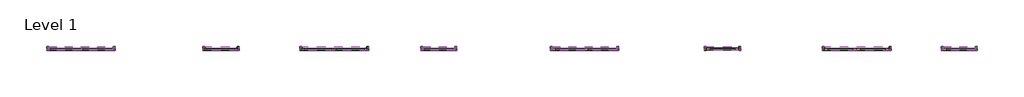
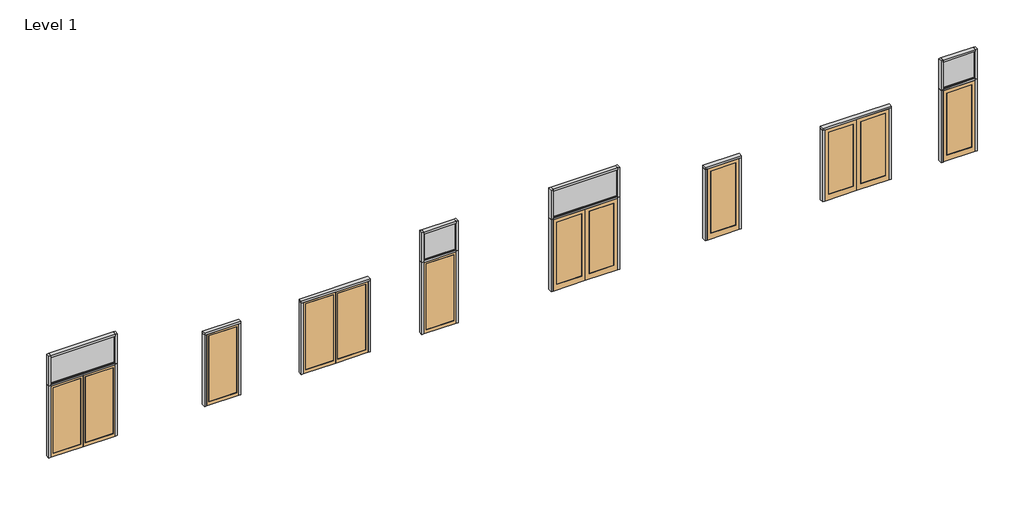
# One storey: 36 members, 20 doors, 4 plates.
"""IFC4 building model written with IfcOpenShell, lengths in millimetres."""

import ifcopenshell
import ifcopenshell.guid

model = None  # the IFC model being written
_history = None  # IfcOwnerHistory: only IFC2X3 demands one
_inside = {}  # id of a spatial element -> (the spatial element, [elements in it])
_under = {}  # id of a project, library or spatial element -> (it, [spatial elements below it])
_declared = {}  # id of a project -> (the project, [libraries it declares])
_typed = {}  # id of a type object -> (the type object, [elements of that type])
_made_of = {}  # id of a material, layer set ... -> (it, [elements and type objects made of it])


def new_model(schema):
    """Start an empty IFC model of exactly this schema.

    Asked for "IFC4X3", IfcOpenShell would pick the latest addendum, in which some entities
    have other attributes; the version numbers below select the first issue.
    IFC2X3 requires an IfcOwnerHistory on every rooted entity: one is made here for all.
    """
    global model, _history
    if schema == "IFC4X3":
        model = ifcopenshell.file(schema_version=(4, 3, 0, 0))
    else:
        model = ifcopenshell.file(schema=schema)
    _inside.clear()
    _under.clear()
    _declared.clear()
    _typed.clear()
    _made_of.clear()
    _history = None
    if model.schema == "IFC2X3":
        org = make("IfcOrganization", Name="unknown")
        user = make(
            "IfcPersonAndOrganization",
            ThePerson=make("IfcPerson", FamilyName="unknown"),
            TheOrganization=org,
        )
        app = make(
            "IfcApplication",
            ApplicationDeveloper=org,
            Version="unknown",
            ApplicationFullName="unknown",
            ApplicationIdentifier="unknown",
        )
        _history = make(
            "IfcOwnerHistory",
            OwningUser=user,
            OwningApplication=app,
            ChangeAction="ADDED",
            CreationDate=0,
        )
    return model


def make(cls, **values):
    """One entity of the class cls with the attributes given. An attribute that is None is left unset."""
    return model.create_entity(
        cls, **{name: value for name, value in values.items() if value is not None}
    )


def rooted(cls, **values):
    """An entity with a GlobalId (a new one), such as an element, a storey or a relation."""
    return make(cls, GlobalId=ifcopenshell.guid.new(), OwnerHistory=_history, **values)


def si_unit(unit_type, name, prefix=None):
    """IfcSIUnit, for example si_unit("LENGTHUNIT", "METRE", prefix="MILLI")."""
    return make("IfcSIUnit", UnitType=unit_type, Prefix=prefix, Name=name)


def assignment(units):
    """IfcUnitAssignment: the units of a project."""
    return None if units is None else make("IfcUnitAssignment", Units=units)


def point(xyz):
    """IfcCartesianPoint."""
    return None if xyz is None else make("IfcCartesianPoint", Coordinates=xyz)


def direction(xyz):
    """IfcDirection."""
    return None if xyz is None else make("IfcDirection", DirectionRatios=xyz)


def frame(location, z_axis=None, x_axis=None):
    """IfcAxis2Placement3D, a coordinate frame: its origin and axes. An axis left out is left unset."""
    return make(
        "IfcAxis2Placement3D",
        Location=point(location),
        Axis=direction(z_axis),
        RefDirection=direction(x_axis),
    )


def origin():
    """The frame at (0, 0, 0) with its axes left unset."""
    return frame((0.0, 0.0, 0.0))


def origin_with_axes():
    """The frame at (0, 0, 0) with the z axis (0, 0, 1) and the x axis (1, 0, 0) written out."""
    return frame((0.0, 0.0, 0.0), z_axis=(0.0, 0.0, 1.0), x_axis=(1.0, 0.0, 0.0))


def place(relative_to, where):
    """IfcLocalPlacement: puts the frame where relative to a parent placement (None: the world)."""
    return make(
        "IfcLocalPlacement", PlacementRelTo=relative_to, RelativePlacement=where
    )


def context(
    kind, dimensions, precision=None, world=None, true_north=None, identifier=None
):
    """IfcGeometricRepresentationContext, for example the 3D "Model" context."""
    return make(
        "IfcGeometricRepresentationContext",
        ContextIdentifier=identifier,
        ContextType=kind,
        CoordinateSpaceDimension=dimensions,
        Precision=precision,
        WorldCoordinateSystem=world,
        TrueNorth=true_north,
    )


def project(units=None, contexts=None):
    """IfcProject with its units and contexts."""
    return rooted(
        "IfcProject",
        Name="project",
        RepresentationContexts=contexts,
        UnitsInContext=assignment(units),
    )


def spatial(cls, under=None, at=None, **own):
    """A site, building, storey or space (cls), placed at a placement, below another one or the project."""
    s = rooted(cls, ObjectPlacement=at, **own)
    if under is not None:
        _under.setdefault(under.id(), (under, []))[1].append(s)
    return s


def polyline(points):
    """IfcPolyline through the points."""
    return make("IfcPolyline", Points=[point(p) for p in points])


def outline(outer, holes=None, kind="AREA"):
    """IfcArbitraryClosedProfileDef: a profile drawn as a closed curve; with holes, ...WithVoids."""
    if holes is None:
        return make("IfcArbitraryClosedProfileDef", ProfileType=kind, OuterCurve=outer)
    return make(
        "IfcArbitraryProfileDefWithVoids",
        ProfileType=kind,
        OuterCurve=outer,
        InnerCurves=holes,
    )


def extrude(swept, where, along, depth):
    """IfcExtrudedAreaSolid: the profile swept, set in the frame where, extruded along a direction by depth."""
    return make(
        "IfcExtrudedAreaSolid",
        SweptArea=swept,
        Position=where,
        ExtrudedDirection=direction(along),
        Depth=depth,
    )


def shape(context_of_items, identifier, shape_type, items):
    """IfcShapeRepresentation: the items that make up one representation, for example the "Body"."""
    return make(
        "IfcShapeRepresentation",
        ContextOfItems=context_of_items,
        RepresentationIdentifier=identifier,
        RepresentationType=shape_type,
        Items=items,
    )


def source(mapping_origin, context_of_items, identifier, shape_type, items):
    """IfcRepresentationMap: a shape defined once, which mapped items show again and again."""
    return make(
        "IfcRepresentationMap",
        MappingOrigin=mapping_origin,
        MappedRepresentation=shape(context_of_items, identifier, shape_type, items),
    )


def transform(
    local_origin,
    x_axis=None,
    y_axis=None,
    z_axis=None,
    scale=None,
    scale2=None,
    scale3=None,
    uniform=True,
):
    """IfcCartesianTransformationOperator3D, or its non-uniform kind. x_axis, y_axis, z_axis: its Axis1, 2, 3."""
    if uniform:
        return make(
            "IfcCartesianTransformationOperator3D",
            Axis1=direction(x_axis),
            Axis2=direction(y_axis),
            LocalOrigin=point(local_origin),
            Scale=scale,
            Axis3=direction(z_axis),
        )
    return make(
        "IfcCartesianTransformationOperator3DnonUniform",
        Axis1=direction(x_axis),
        Axis2=direction(y_axis),
        LocalOrigin=point(local_origin),
        Scale=scale,
        Axis3=direction(z_axis),
        Scale2=scale2,
        Scale3=scale3,
    )


def mapped(mapping_source, mapping_target):
    """IfcMappedItem: shows the shape of a source again, moved by a transform."""
    return make(
        "IfcMappedItem", MappingSource=mapping_source, MappingTarget=mapping_target
    )


def made_of(thing, what):
    """Note that an element or type object is made of a material, layer set ...; save() writes the relation."""
    if what is not None:
        _made_of.setdefault(what.id(), (what, []))[1].append(thing)
    return thing


def element(
    cls,
    number,
    at=None,
    inside=None,
    cuts=None,
    type_object=None,
    material=None,
    context=None,
    identifier="Body",
    shape_type=None,
    held_by="IfcProductDefinitionShape",
    body=None,
    shapes=None,
    **own,
):
    """One element of the class cls, such as IfcWall. Its Tag is "e" and its number.

    at: its placement. inside: the storey or other place that contains it. cuts: it is an
    opening in that element (IfcRelVoidsElement). A single representation is given by context,
    identifier, shape_type and body (its items); several are given by shapes. held_by: the class
    of the entity that holds the representations. save() writes the other relations.
    """
    e = rooted(cls, Tag="e%d" % number, ObjectPlacement=at, **own)
    if body is not None:
        shapes = [shape(context, identifier, shape_type, body)]
    if shapes is not None:
        e.Representation = make(held_by, Representations=shapes)
    if inside is not None:
        _inside.setdefault(inside.id(), (inside, []))[1].append(e)
    if cuts is not None:
        rooted(
            "IfcRelVoidsElement", RelatingBuildingElement=cuts, RelatedOpeningElement=e
        )
    if type_object is not None:
        _typed.setdefault(type_object.id(), (type_object, []))[1].append(e)
    return made_of(e, material)


def aggregate(whole, parts):
    """IfcRelAggregates: a whole, such as a stair, and the parts it consists of."""
    return rooted("IfcRelAggregates", RelatingObject=whole, RelatedObjects=parts)


def save(model, path):
    """Write the relations noted so far, then the file.

    IfcRelAggregates (storeys below a building ...), IfcRelContainedInSpatialStructure (elements
    in a storey), IfcRelDefinesByType, IfcRelAssociatesMaterial and IfcRelDeclares: one each for
    every whole, place, type object, material and project.
    """
    for whole, parts in _under.values():
        aggregate(whole, parts)
    for where, things in _inside.values():
        rooted(
            "IfcRelContainedInSpatialStructure",
            RelatedElements=things,
            RelatingStructure=where,
        )
    for kind, things in _typed.values():
        rooted("IfcRelDefinesByType", RelatedObjects=things, RelatingType=kind)
    for what, things in _made_of.values():
        rooted("IfcRelAssociatesMaterial", RelatedObjects=things, RelatingMaterial=what)
    for by, libraries in _declared.values():
        rooted("IfcRelDeclares", RelatingContext=by, RelatedDefinitions=libraries)
    model.write(path)


def aa250_double_door_14cf2654(model_context):
    return source(origin(), model_context, "Body", "SweptSolid", [
        extrude(outline(polyline([(0.0, 914.4), (2133.59492, 914.4), (2133.59492, -914.4), (0.0, -914.4), (0.0, -904.88008), (2124.075, -904.88008), (2124.075, 904.88008), (0.0, 904.88008), (0.0, 914.4)])), frame((0.0, 3.175, 0.0), z_axis=(0.0, 1.0, 0.0), x_axis=(0.0, 0.0, 1.0)), (0.0, 0.0, 1.0), 24.9047),
    ])


def aa250_single_door_4fcfadb9(model_context):
    return source(origin(), model_context, "Body", "SweptSolid", [
        extrude(outline(polyline([(0.0, 457.2), (2133.59492, 457.2), (2133.59492, -457.2), (0.0, -457.2), (0.0, -447.68008), (2124.075, -447.68008), (2124.075, 447.68008), (0.0, 447.68008), (0.0, 457.2)])), frame((0.0, 3.175, 0.0), z_axis=(0.0, 1.0, 0.0), x_axis=(0.0, 0.0, 1.0)), (0.0, 0.0, 1.0), 24.9047),
    ])


def door_panel_kawneer_glass_aa250_712486c2(model_context):
    return source(origin(), model_context, "Body", "SweptSolid", [
        extrude(outline(polyline([(850.9, -34.925), (63.5, -34.925), (63.5, -9.525), (850.9, -9.525), (850.9, -34.925)])), frame((0.0, 0.0, 98.425), z_axis=(0.0, 0.0, 1.0), x_axis=(1.0, 0.0, 0.0)), (0.0, 0.0, 1.0), 1971.675),
        extrude(outline(polyline([(2133.6, 914.4), (2133.6, 0.0), (0.0, 0.0), (0.0, 914.4), (2133.6, 914.4)]), holes=[polyline([(2070.1, 850.9), (98.425, 850.9), (98.425, 63.5), (2070.1, 63.5), (2070.1, 850.9)])]), frame((0.0, -57.15, 0.0), z_axis=(0.0, 1.0, 0.0), x_axis=(0.0, 0.0, 1.0)), (0.0, 0.0, 1.0), 57.15),
    ])


def door_panel_kawneer_glass_aa250_7d1de5a6(model_context):
    return source(origin(), model_context, "Body", "SweptSolid", [
        extrude(outline(polyline([(850.9, 34.925), (850.9, 9.525), (63.5, 9.525), (63.5, 34.925), (850.9, 34.925)])), frame((0.0, 0.0, 98.425), z_axis=(0.0, 0.0, 1.0), x_axis=(1.0, 0.0, 0.0)), (0.0, 0.0, 1.0), 1971.675),
        extrude(outline(polyline([(2133.6, 914.4), (2133.6, 0.0), (0.0, 0.0), (0.0, 914.4), (2133.6, 914.4)]), holes=[polyline([(2070.1, 850.9), (98.425, 850.9), (98.425, 63.5), (2070.1, 63.5), (2070.1, 850.9)])]), frame((0.0, 0.0, 0.0), z_axis=(0.0, 1.0, 0.0), x_axis=(0.0, 0.0, 1.0)), (0.0, 0.0, 1.0), 57.15),
    ])


def door_panel_kawneer_glass_aa425_f4abb921(model_context):
    return source(origin(), model_context, "Body", "SweptSolid", [
        extrude(outline(polyline([(806.45, 34.925), (806.45, 9.525), (107.95, 9.525), (107.95, 34.925), (806.45, 34.925)])), frame((0.0, 0.0, 165.1), z_axis=(0.0, 0.0, 1.0), x_axis=(1.0, 0.0, 0.0)), (0.0, 0.0, 1.0), 1860.55),
        extrude(outline(polyline([(2133.6, 914.4), (2133.6, 0.0), (0.0, 0.0), (0.0, 914.4), (2133.6, 914.4)]), holes=[polyline([(2025.65, 806.45), (165.1, 806.45), (165.1, 107.95), (2025.65, 107.95), (2025.65, 806.45)])]), frame((0.0, 0.0, 0.0), z_axis=(0.0, 1.0, 0.0), x_axis=(0.0, 0.0, 1.0)), (0.0, 0.0, 1.0), 57.15),
    ])


def door_panel_kawneer_glass_aa425_9d60fcbc(model_context):
    return source(origin(), model_context, "Body", "SweptSolid", [
        extrude(outline(polyline([(806.45, -34.925), (107.95, -34.925), (107.95, -9.525), (806.45, -9.525), (806.45, -34.925)])), frame((0.0, 0.0, 165.1), z_axis=(0.0, 0.0, 1.0), x_axis=(1.0, 0.0, 0.0)), (0.0, 0.0, 1.0), 1860.55),
        extrude(outline(polyline([(2133.6, 914.4), (2133.6, 0.0), (0.0, 0.0), (0.0, 914.4), (2133.6, 914.4)]), holes=[polyline([(2025.65, 806.45), (165.1, 806.45), (165.1, 107.95), (2025.65, 107.95), (2025.65, 806.45)])]), frame((0.0, -57.15, 0.0), z_axis=(0.0, 1.0, 0.0), x_axis=(0.0, 0.0, 1.0)), (0.0, 0.0, 1.0), 57.15),
    ])


def rectangular_mullion_4bfbc9b1(model_context):
    return source(origin(), model_context, "Body", "SweptSolid", [
        extrude(outline(polyline([(25.4, 57.12714), (25.4, -57.17286), (-25.4, -57.17286), (-25.4, 57.12714), (25.4, 57.12714)])), frame((0.0, 0.0, -1828.8), z_axis=(0.0, 0.0, 1.0), x_axis=(1.0, 0.0, 0.0)), (0.0, 0.0, 1.0), 1828.8),
    ])


def rectangular_mullion_04a99d6a(model_context):
    return source(origin(), model_context, "Body", "SweptSolid", [
        extrude(outline(polyline([(-57.15, 57.12714), (0.0, 57.12714), (0.0, -57.17286), (-57.15, -57.17286), (-57.15, 57.12714)])), frame((0.0, 0.0, -2133.6), z_axis=(0.0, 0.0, 1.0), x_axis=(1.0, 0.0, 0.0)), (0.0, 0.0, 1.0), 2133.6),
    ])


def rectangular_mullion_c2ad8e51(model_context):
    return source(origin(), model_context, "Body", "SweptSolid", [
        extrude(outline(polyline([(0.0, 57.12714), (0.0, -57.17286), (-57.15, -57.17286), (-57.15, 57.12714), (0.0, 57.12714)])), frame((0.0, 0.0, -2133.6), z_axis=(0.0, 0.0, 1.0), x_axis=(1.0, 0.0, 0.0)), (0.0, 0.0, 1.0), 2133.6),
    ])


def rectangular_mullion_e4ed5742(model_context):
    return source(origin(), model_context, "Body", "SweptSolid", [
        extrude(outline(polyline([(0.0, 57.15), (0.0, -57.15), (-57.15, -57.15), (-57.15, -12.7), (-47.625, -12.7), (-47.625, 12.7), (-57.15, 12.7), (-57.15, 57.15), (0.0, 57.15)])), frame((0.0, 0.0, -1828.8), z_axis=(0.0, 0.0, 1.0), x_axis=(1.0, 0.0, 0.0)), (0.0, 0.0, 1.0), 1828.8),
    ])


def rectangular_mullion_fa46a256(model_context):
    return source(origin(), model_context, "Body", "SweptSolid", [
        extrude(outline(polyline([(-57.15, 57.12714), (0.0, 57.12714), (0.0, -57.17286), (-57.15, -57.17286), (-57.15, 57.12714)])), frame((0.0, 0.0, -2159.0), z_axis=(0.0, 0.0, 1.0), x_axis=(1.0, 0.0, 0.0)), (0.0, 0.0, 1.0), 2159.0),
    ])


def rectangular_mullion_2377b8a7(model_context):
    return source(origin(), model_context, "Body", "SweptSolid", [
        extrude(outline(polyline([(0.0, 57.12714), (0.0, -57.17286), (-57.15, -57.17286), (-57.15, 57.12714), (0.0, 57.12714)])), frame((0.0, 0.0, -2159.0), z_axis=(0.0, 0.0, 1.0), x_axis=(1.0, 0.0, 0.0)), (0.0, 0.0, 1.0), 2159.0),
    ])


def rectangular_mullion_19fe0d3f(model_context):
    return source(origin(), model_context, "Body", "SweptSolid", [
        extrude(outline(polyline([(-57.15, 57.12714), (0.0, 57.12714), (0.0, -57.17286), (-57.15, -57.17286), (-57.15, 57.12714)])), frame((0.0, 0.0, -1028.7), z_axis=(0.0, 0.0, 1.0), x_axis=(1.0, 0.0, 0.0)), (0.0, 0.0, 1.0), 1028.7),
    ])


def rectangular_mullion_b0c437ae(model_context):
    return source(origin(), model_context, "Body", "SweptSolid", [
        extrude(outline(polyline([(0.0, 57.15), (0.0, -57.15), (-57.15, -57.15), (-57.15, -12.7), (-47.625, -12.7), (-47.625, 12.7), (-57.15, 12.7), (-57.15, 57.15), (0.0, 57.15)])), frame((0.0, 0.0, -914.4), z_axis=(0.0, 0.0, 1.0), x_axis=(1.0, 0.0, 0.0)), (0.0, 0.0, 1.0), 914.4),
    ])


def rectangular_mullion_cc60aaa8(model_context):
    return source(origin(), model_context, "Body", "SweptSolid", [
        extrude(outline(polyline([(25.4, 57.12714), (25.4, -57.17286), (-25.4, -57.17286), (-25.4, 57.12714), (25.4, 57.12714)])), frame((0.0, 0.0, -914.4), z_axis=(0.0, 0.0, 1.0), x_axis=(1.0, 0.0, 0.0)), (0.0, 0.0, 1.0), 914.4),
    ])


def rectangular_mullion_1367ab98(model_context):
    return source(origin(), model_context, "Body", "SweptSolid", [
        extrude(outline(polyline([(-57.15, 57.12714), (0.0, 57.12714), (0.0, -57.17286), (-57.15, -57.17286), (-57.15, 57.12714)])), frame((0.0, 0.0, -1943.1), z_axis=(0.0, 0.0, 1.0), x_axis=(1.0, 0.0, 0.0)), (0.0, 0.0, 1.0), 1943.1),
    ])


def rectangular_mullion_3d129bc0(model_context):
    return source(origin(), model_context, "Body", "SweptSolid", [
        extrude(outline(polyline([(0.0, 57.12714), (0.0, -57.17286), (-57.15, -57.17286), (-57.15, 57.12714), (0.0, 57.12714)])), frame((0.0, 0.0, -889.0), z_axis=(0.0, 0.0, 1.0), x_axis=(1.0, 0.0, 0.0)), (0.0, 0.0, 1.0), 889.0),
    ])


def rectangular_mullion_24e5dbc9(model_context):
    return source(origin(), model_context, "Body", "SweptSolid", [
        extrude(outline(polyline([(-57.15, 57.12714), (0.0, 57.12714), (0.0, -57.17286), (-57.15, -57.17286), (-57.15, 57.12714)])), frame((0.0, 0.0, -889.0), z_axis=(0.0, 0.0, 1.0), x_axis=(1.0, 0.0, 0.0)), (0.0, 0.0, 1.0), 889.0),
    ])


def plate_79845801(model_context):
    return source(origin(), model_context, "Body", "SweptSolid", [
        extrude(outline(polyline([(806.45, 441.325), (15.875, 441.325), (15.875, -441.325), (806.45, -441.325), (806.45, -457.2), (0.0, -457.2), (0.0, 457.2), (806.45, 457.2), (806.45, 441.325)])), frame((0.0, -31.75, 0.0), z_axis=(0.0, 1.0, 0.0), x_axis=(0.0, 0.0, 1.0)), (0.0, 0.0, 1.0), 19.05),
        extrude(outline(polyline([(806.45, 441.325), (15.875, 441.325), (15.875, -441.325), (806.45, -441.325), (806.45, -457.2), (0.0, -457.2), (0.0, 457.2), (806.45, 457.2), (806.45, 441.325)])), frame((0.0, 12.7, 0.0), z_axis=(0.0, 1.0, 0.0), x_axis=(0.0, 0.0, 1.0)), (0.0, 0.0, 1.0), 19.05),
        extrude(outline(polyline([(457.2, -12.7), (-457.2, -12.7), (-457.2, 12.7), (457.2, 12.7), (457.2, -12.7)])), origin_with_axes(), (0.0, 0.0, 1.0), 815.975),
    ])


def plate_bbd05bbf(model_context):
    return source(origin(), model_context, "Body", "SweptSolid", [
        extrude(outline(polyline([(806.45, 898.525), (15.875, 898.525), (15.875, -898.525), (806.45, -898.525), (806.45, -914.4), (0.0, -914.4), (0.0, 914.4), (806.45, 914.4), (806.45, 898.525)])), frame((0.0, -31.75, 0.0), z_axis=(0.0, 1.0, 0.0), x_axis=(0.0, 0.0, 1.0)), (0.0, 0.0, 1.0), 19.05),
        extrude(outline(polyline([(806.45, 898.525), (15.875, 898.525), (15.875, -898.525), (806.45, -898.525), (806.45, -914.4), (0.0, -914.4), (0.0, 914.4), (806.45, 914.4), (806.45, 898.525)])), frame((0.0, 12.7, 0.0), z_axis=(0.0, 1.0, 0.0), x_axis=(0.0, 0.0, 1.0)), (0.0, 0.0, 1.0), 19.05),
        extrude(outline(polyline([(914.4, -12.7), (-914.4, -12.7), (-914.4, 12.7), (914.4, 12.7), (914.4, -12.7)])), origin_with_axes(), (0.0, 0.0, 1.0), 815.975),
    ])


model = new_model("IFC4")

# Units and contexts
model_context = context("Model", 3, world=origin())
ifc_project = project(units=[si_unit("LENGTHUNIT", "METRE", prefix="MILLI")], contexts=[model_context])

# Site, building, storey
site = spatial("IfcSite", under=ifc_project)
building = spatial("IfcBuilding", under=site)
storey = spatial("IfcBuildingStorey", under=building, Name="Level 1", Elevation=0.0)

# Doors
placement = place(None, origin())
aa250_double_door_shape = aa250_double_door_14cf2654(model_context)
element("IfcDoor", 1, ObjectType="AA250 - Double Door", at=placement, inside=storey, context=model_context, shape_type="MappedRepresentation", body=[
    mapped(aa250_double_door_shape, transform((-2891.4536621, 2672.3162791, 0.0), x_axis=(1.0, 0.0, 0.0), y_axis=(0.0, 1.0, 0.0), z_axis=(0.0, 0.0, 1.0))),
])
element("IfcDoor", 2, ObjectType="AA250 - Double Door", at=placement, inside=storey, context=model_context, shape_type="MappedRepresentation", body=[
    mapped(aa250_double_door_shape, transform((4261.8213379, 2672.3162791, 0.0), x_axis=(1.0, 0.0, 0.0), y_axis=(0.0, 1.0, 0.0), z_axis=(0.0, 0.0, 1.0))),
])
aa250_single_door_shape = aa250_single_door_4fcfadb9(model_context)
element("IfcDoor", 3, ObjectType="AA250 - Single Door", at=placement, inside=storey, context=model_context, shape_type="MappedRepresentation", body=[
    mapped(aa250_single_door_shape, transform((1061.4213379, 2672.3162791, 0.0), x_axis=(1.0, 0.0, 0.0), y_axis=(0.0, 1.0, 0.0), z_axis=(0.0, 0.0, 1.0))),
])
element("IfcDoor", 4, ObjectType="AA250 - Single Door", at=placement, inside=storey, context=model_context, shape_type="MappedRepresentation", body=[
    mapped(aa250_single_door_shape, transform((7217.7463379, 2672.3162791, 0.0), x_axis=(1.0, 0.0, 0.0), y_axis=(0.0, 1.0, 0.0), z_axis=(0.0, 0.0, 1.0))),
])
element("IfcDoor", 5, ObjectType="AA425 - Double Door", at=placement, inside=storey, context=model_context, shape_type="MappedRepresentation", body=[
    mapped(aa250_double_door_shape, transform((11335.3928383, 2672.3162791, 0.0), x_axis=(1.0, 0.0, 0.0), y_axis=(0.0, 1.0, 0.0), z_axis=(0.0, 0.0, 1.0))),
])
element("IfcDoor", 6, ObjectType="AA425 - Double Door", at=placement, inside=storey, context=model_context, shape_type="MappedRepresentation", body=[
    mapped(aa250_double_door_shape, transform((19025.2428383, 2672.3162791, 0.0), x_axis=(1.0, 0.0, 0.0), y_axis=(0.0, 1.0, 0.0), z_axis=(0.0, 0.0, 1.0))),
])
element("IfcDoor", 7, ObjectType="AA425 - Single Door", at=placement, inside=storey, context=model_context, shape_type="MappedRepresentation", body=[
    mapped(aa250_single_door_shape, transform((15237.4678383, 2675.4912791, 0.0), x_axis=(1.0, 0.0, 0.0), y_axis=(0.0, 1.0, 0.0), z_axis=(0.0, 0.0, 1.0))),
])
element("IfcDoor", 8, ObjectType="AA425 - Single Door", at=placement, inside=storey, context=model_context, shape_type="MappedRepresentation", body=[
    mapped(aa250_single_door_shape, transform((21920.8428383, 2672.3162791, 0.0), x_axis=(1.0, 0.0, 0.0), y_axis=(0.0, 1.0, 0.0), z_axis=(0.0, 0.0, 1.0))),
])
door_panel_kawneer_glass_aa250_shape = door_panel_kawneer_glass_aa250_712486c2(model_context)
element("IfcDoor", 9, ObjectType="Door_Panel-Kawneer-Glass : AA250", at=placement, inside=storey, context=model_context, shape_type="MappedRepresentation", body=[
    mapped(door_panel_kawneer_glass_aa250_shape, transform((-2891.4536621, 2618.3412791, 0.0), x_axis=(-1.0, 0.0, 0.0), y_axis=(0.0, -1.0, 0.0), z_axis=(0.0, 0.0, 1.0))),
])
element("IfcDoor", 10, ObjectType="Door_Panel-Kawneer-Glass : AA250", at=placement, inside=storey, context=model_context, shape_type="MappedRepresentation", body=[
    mapped(door_panel_kawneer_glass_aa250_shape, transform((1518.6213379, 2618.3412791, 0.0), x_axis=(-1.0, 0.0, 0.0), y_axis=(0.0, -1.0, 0.0), z_axis=(0.0, 0.0, 1.0))),
])
element("IfcDoor", 11, ObjectType="Door_Panel-Kawneer-Glass : AA250", at=placement, inside=storey, context=model_context, shape_type="MappedRepresentation", body=[
    mapped(door_panel_kawneer_glass_aa250_shape, transform((4261.8213379, 2618.3412791, 0.0), x_axis=(-1.0, 0.0, 0.0), y_axis=(0.0, -1.0, 0.0), z_axis=(0.0, 0.0, 1.0))),
])
element("IfcDoor", 12, ObjectType="Door_Panel-Kawneer-Glass : AA250", at=placement, inside=storey, context=model_context, shape_type="MappedRepresentation", body=[
    mapped(door_panel_kawneer_glass_aa250_shape, transform((7674.9463379, 2618.3412791, 0.0), x_axis=(-1.0, 0.0, 0.0), y_axis=(0.0, -1.0, 0.0), z_axis=(0.0, 0.0, 1.0))),
])
door_panel_kawneer_glass_aa250_2_shape = door_panel_kawneer_glass_aa250_7d1de5a6(model_context)
element("IfcDoor", 13, ObjectType="Door_Panel-Kawneer-Glass : AA250", at=placement, inside=storey, context=model_context, shape_type="MappedRepresentation", body=[
    mapped(door_panel_kawneer_glass_aa250_2_shape, transform((-2891.4536621, 2618.3412791, 0.0), x_axis=(1.0, 0.0, 0.0), y_axis=(0.0, 1.0, 0.0), z_axis=(0.0, 0.0, 1.0))),
])
element("IfcDoor", 14, ObjectType="Door_Panel-Kawneer-Glass : AA250", at=placement, inside=storey, context=model_context, shape_type="MappedRepresentation", body=[
    mapped(door_panel_kawneer_glass_aa250_2_shape, transform((4261.8213379, 2618.3412791, 0.0), x_axis=(1.0, 0.0, 0.0), y_axis=(0.0, 1.0, 0.0), z_axis=(0.0, 0.0, 1.0))),
])
door_panel_kawneer_glass_aa425_shape = door_panel_kawneer_glass_aa425_f4abb921(model_context)
element("IfcDoor", 15, ObjectType="Door_Panel-Kawneer-Glass : AA425", at=placement, inside=storey, context=model_context, shape_type="MappedRepresentation", body=[
    mapped(door_panel_kawneer_glass_aa425_shape, transform((11335.3928383, 2618.3412791, 0.0), x_axis=(1.0, 0.0, 0.0), y_axis=(0.0, 1.0, 0.0), z_axis=(0.0, 0.0, 1.0))),
])
element("IfcDoor", 16, ObjectType="Door_Panel-Kawneer-Glass : AA425", at=placement, inside=storey, context=model_context, shape_type="MappedRepresentation", body=[
    mapped(door_panel_kawneer_glass_aa425_shape, transform((19025.2428383, 2618.3412791, 0.0), x_axis=(1.0, 0.0, 0.0), y_axis=(0.0, 1.0, 0.0), z_axis=(0.0, 0.0, 1.0))),
])
door_panel_kawneer_glass_aa425_2_shape = door_panel_kawneer_glass_aa425_9d60fcbc(model_context)
element("IfcDoor", 17, ObjectType="Door_Panel-Kawneer-Glass : AA425", at=placement, inside=storey, context=model_context, shape_type="MappedRepresentation", body=[
    mapped(door_panel_kawneer_glass_aa425_2_shape, transform((11335.3928383, 2618.3412791, 0.0), x_axis=(-1.0, 0.0, 0.0), y_axis=(0.0, -1.0, 0.0), z_axis=(0.0, 0.0, 1.0))),
])
element("IfcDoor", 18, ObjectType="Door_Panel-Kawneer-Glass : AA425", at=placement, inside=storey, context=model_context, shape_type="MappedRepresentation", body=[
    mapped(door_panel_kawneer_glass_aa425_2_shape, transform((15694.6678383, 2621.5162791, 0.0), x_axis=(-1.0, 0.0, 0.0), y_axis=(0.0, -1.0, 0.0), z_axis=(0.0, 0.0, 1.0))),
])
element("IfcDoor", 19, ObjectType="Door_Panel-Kawneer-Glass : AA425", at=placement, inside=storey, context=model_context, shape_type="MappedRepresentation", body=[
    mapped(door_panel_kawneer_glass_aa425_2_shape, transform((19025.2428383, 2618.3412791, 0.0), x_axis=(-1.0, 0.0, 0.0), y_axis=(0.0, -1.0, 0.0), z_axis=(0.0, 0.0, 1.0))),
])
element("IfcDoor", 20, ObjectType="Door_Panel-Kawneer-Glass : AA425", at=placement, inside=storey, context=model_context, shape_type="MappedRepresentation", body=[
    mapped(door_panel_kawneer_glass_aa425_2_shape, transform((22378.0428383, 2618.3412791, 0.0), x_axis=(-1.0, 0.0, 0.0), y_axis=(0.0, -1.0, 0.0), z_axis=(0.0, 0.0, 1.0))),
])

# Members
rectangular_mullion_shape = rectangular_mullion_4bfbc9b1(model_context)
element("IfcMember", 21, ObjectType="Rectangular Mullion", at=placement, inside=storey, context=model_context, shape_type="MappedRepresentation", body=[
    mapped(rectangular_mullion_shape, transform((-1977.0536621, 2672.3162791, 2159.0), x_axis=(0.0, 0.0, 1.0), y_axis=(0.0, -1.0, 0.0), z_axis=(1.0, 0.0, 0.0))),
])
element("IfcMember", 22, ObjectType="Rectangular Mullion", at=placement, inside=storey, context=model_context, shape_type="MappedRepresentation", body=[
    mapped(rectangular_mullion_shape, transform((12249.7928383, 2672.3162791, 2159.0), x_axis=(0.0, 0.0, 1.0), y_axis=(0.0, -1.0, 0.0), z_axis=(1.0, 0.0, 0.0))),
])
rectangular_mullion_2_shape = rectangular_mullion_04a99d6a(model_context)
element("IfcMember", 23, ObjectType="Rectangular Mullion", at=placement, inside=storey, context=model_context, shape_type="MappedRepresentation", body=[
    mapped(rectangular_mullion_2_shape, transform((1575.7713379, 2672.3162791, 0.0), x_axis=(1.0, 0.0, 0.0), y_axis=(0.0, -1.0, 0.0), z_axis=(0.0, 0.0, -1.0))),
])
element("IfcMember", 24, ObjectType="Rectangular Mullion", at=placement, inside=storey, context=model_context, shape_type="MappedRepresentation", body=[
    mapped(rectangular_mullion_2_shape, transform((15751.8178383, 2675.4912791, 0.0), x_axis=(1.0, 0.0, 0.0), y_axis=(0.0, -1.0, 0.0), z_axis=(0.0, 0.0, -1.0))),
])
element("IfcMember", 25, ObjectType="Rectangular Mullion", at=placement, inside=storey, context=model_context, shape_type="MappedRepresentation", body=[
    mapped(rectangular_mullion_2_shape, transform((5233.3713379, 2672.3162791, 0.0), x_axis=(1.0, 0.0, 0.0), y_axis=(0.0, -1.0, 0.0), z_axis=(0.0, 0.0, -1.0))),
])
element("IfcMember", 26, ObjectType="Rectangular Mullion", at=placement, inside=storey, context=model_context, shape_type="MappedRepresentation", body=[
    mapped(rectangular_mullion_2_shape, transform((19996.7928383, 2672.3162791, 0.0), x_axis=(1.0, 0.0, 0.0), y_axis=(0.0, -1.0, 0.0), z_axis=(0.0, 0.0, -1.0))),
])
rectangular_mullion_3_shape = rectangular_mullion_c2ad8e51(model_context)
element("IfcMember", 27, ObjectType="Rectangular Mullion", at=placement, inside=storey, context=model_context, shape_type="MappedRepresentation", body=[
    mapped(rectangular_mullion_3_shape, transform((14723.1178383, 2675.4912791, 2133.6), x_axis=(-1.0, 0.0, 0.0), y_axis=(0.0, -1.0, 0.0), z_axis=(0.0, 0.0, 1.0))),
])
element("IfcMember", 28, ObjectType="Rectangular Mullion", at=placement, inside=storey, context=model_context, shape_type="MappedRepresentation", body=[
    mapped(rectangular_mullion_3_shape, transform((547.0713379, 2672.3162791, 2133.6), x_axis=(-1.0, 0.0, 0.0), y_axis=(0.0, -1.0, 0.0), z_axis=(0.0, 0.0, 1.0))),
])
element("IfcMember", 29, ObjectType="Rectangular Mullion", at=placement, inside=storey, context=model_context, shape_type="MappedRepresentation", body=[
    mapped(rectangular_mullion_3_shape, transform((3290.2713379, 2672.3162791, 2133.6), x_axis=(-1.0, 0.0, 0.0), y_axis=(0.0, -1.0, 0.0), z_axis=(0.0, 0.0, 1.0))),
])
element("IfcMember", 30, ObjectType="Rectangular Mullion", at=placement, inside=storey, context=model_context, shape_type="MappedRepresentation", body=[
    mapped(rectangular_mullion_3_shape, transform((18053.6928383, 2672.3162791, 2133.6), x_axis=(-1.0, 0.0, 0.0), y_axis=(0.0, -1.0, 0.0), z_axis=(0.0, 0.0, 1.0))),
])
rectangular_mullion_4_shape = rectangular_mullion_e4ed5742(model_context)
element("IfcMember", 31, ObjectType="Rectangular Mullion", at=placement, inside=storey, context=model_context, shape_type="MappedRepresentation", body=[
    mapped(rectangular_mullion_4_shape, transform((12249.7928383, 2672.3162791, 3048.0), x_axis=(0.0, 0.0, 1.0), y_axis=(0.0, -1.0, 0.0), z_axis=(1.0, 0.0, 0.0))),
])
element("IfcMember", 32, ObjectType="Rectangular Mullion", at=placement, inside=storey, context=model_context, shape_type="MappedRepresentation", body=[
    mapped(rectangular_mullion_4_shape, transform((-1977.0536621, 2672.3162791, 3048.0), x_axis=(0.0, 0.0, 1.0), y_axis=(0.0, -1.0, 0.0), z_axis=(1.0, 0.0, 0.0))),
])
rectangular_mullion_5_shape = rectangular_mullion_fa46a256(model_context)
element("IfcMember", 33, ObjectType="Rectangular Mullion", at=placement, inside=storey, context=model_context, shape_type="MappedRepresentation", body=[
    mapped(rectangular_mullion_5_shape, transform((12306.9428383, 2672.3162791, 0.0), x_axis=(1.0, 0.0, 0.0), y_axis=(0.0, -1.0, 0.0), z_axis=(0.0, 0.0, -1.0))),
])
element("IfcMember", 34, ObjectType="Rectangular Mullion", at=placement, inside=storey, context=model_context, shape_type="MappedRepresentation", body=[
    mapped(rectangular_mullion_5_shape, transform((-1919.9036621, 2672.3162791, 0.0), x_axis=(1.0, 0.0, 0.0), y_axis=(0.0, -1.0, 0.0), z_axis=(0.0, 0.0, -1.0))),
])
element("IfcMember", 35, ObjectType="Rectangular Mullion", at=placement, inside=storey, context=model_context, shape_type="MappedRepresentation", body=[
    mapped(rectangular_mullion_5_shape, transform((7732.0963379, 2672.3162791, 0.0), x_axis=(1.0, 0.0, 0.0), y_axis=(0.0, -1.0, 0.0), z_axis=(0.0, 0.0, -1.0))),
])
element("IfcMember", 36, ObjectType="Rectangular Mullion", at=placement, inside=storey, context=model_context, shape_type="MappedRepresentation", body=[
    mapped(rectangular_mullion_5_shape, transform((22435.1928383, 2672.3162791, 0.0), x_axis=(1.0, 0.0, 0.0), y_axis=(0.0, -1.0, 0.0), z_axis=(0.0, 0.0, -1.0))),
])
rectangular_mullion_6_shape = rectangular_mullion_2377b8a7(model_context)
element("IfcMember", 37, ObjectType="Rectangular Mullion", at=placement, inside=storey, context=model_context, shape_type="MappedRepresentation", body=[
    mapped(rectangular_mullion_6_shape, transform((-3863.0036621, 2672.3162791, 2159.0), x_axis=(-1.0, 0.0, 0.0), y_axis=(0.0, -1.0, 0.0), z_axis=(0.0, 0.0, 1.0))),
])
element("IfcMember", 38, ObjectType="Rectangular Mullion", at=placement, inside=storey, context=model_context, shape_type="MappedRepresentation", body=[
    mapped(rectangular_mullion_6_shape, transform((10363.8428383, 2672.3162791, 2159.0), x_axis=(-1.0, 0.0, 0.0), y_axis=(0.0, -1.0, 0.0), z_axis=(0.0, 0.0, 1.0))),
])
element("IfcMember", 39, ObjectType="Rectangular Mullion", at=placement, inside=storey, context=model_context, shape_type="MappedRepresentation", body=[
    mapped(rectangular_mullion_6_shape, transform((6703.3963379, 2672.3162791, 2159.0), x_axis=(-1.0, 0.0, 0.0), y_axis=(0.0, -1.0, 0.0), z_axis=(0.0, 0.0, 1.0))),
])
element("IfcMember", 40, ObjectType="Rectangular Mullion", at=placement, inside=storey, context=model_context, shape_type="MappedRepresentation", body=[
    mapped(rectangular_mullion_6_shape, transform((21406.4928383, 2672.3162791, 2159.0), x_axis=(-1.0, 0.0, 0.0), y_axis=(0.0, -1.0, 0.0), z_axis=(0.0, 0.0, 1.0))),
])
rectangular_mullion_7_shape = rectangular_mullion_19fe0d3f(model_context)
element("IfcMember", 41, ObjectType="Rectangular Mullion", at=placement, inside=storey, context=model_context, shape_type="MappedRepresentation", body=[
    mapped(rectangular_mullion_7_shape, transform((1575.7713379, 2672.3162791, 2190.75), x_axis=(0.0, 0.0, 1.0), y_axis=(0.0, -1.0, 0.0), z_axis=(1.0, 0.0, 0.0))),
])
element("IfcMember", 42, ObjectType="Rectangular Mullion", at=placement, inside=storey, context=model_context, shape_type="MappedRepresentation", body=[
    mapped(rectangular_mullion_7_shape, transform((15751.8178383, 2675.4912791, 2190.085224), x_axis=(0.0, 0.0, 1.0), y_axis=(0.0, -1.0, 0.0), z_axis=(1.0, 0.0, 0.0))),
])
rectangular_mullion_8_shape = rectangular_mullion_b0c437ae(model_context)
element("IfcMember", 43, ObjectType="Rectangular Mullion", at=placement, inside=storey, context=model_context, shape_type="MappedRepresentation", body=[
    mapped(rectangular_mullion_8_shape, transform((7674.9463379, 2672.3162791, 3048.0), x_axis=(0.0, 0.0, 1.0), y_axis=(0.0, -1.0, 0.0), z_axis=(1.0, 0.0, 0.0))),
])
element("IfcMember", 44, ObjectType="Rectangular Mullion", at=placement, inside=storey, context=model_context, shape_type="MappedRepresentation", body=[
    mapped(rectangular_mullion_8_shape, transform((22378.0428383, 2672.3162791, 3048.0), x_axis=(0.0, 0.0, 1.0), y_axis=(0.0, -1.0, 0.0), z_axis=(1.0, 0.0, 0.0))),
])
rectangular_mullion_9_shape = rectangular_mullion_cc60aaa8(model_context)
element("IfcMember", 45, ObjectType="Rectangular Mullion", at=placement, inside=storey, context=model_context, shape_type="MappedRepresentation", body=[
    mapped(rectangular_mullion_9_shape, transform((7674.9463379, 2672.3162791, 2159.0), x_axis=(0.0, 0.0, 1.0), y_axis=(0.0, -1.0, 0.0), z_axis=(1.0, 0.0, 0.0))),
])
element("IfcMember", 46, ObjectType="Rectangular Mullion", at=placement, inside=storey, context=model_context, shape_type="MappedRepresentation", body=[
    mapped(rectangular_mullion_9_shape, transform((22378.0428383, 2672.3162791, 2159.0), x_axis=(0.0, 0.0, 1.0), y_axis=(0.0, -1.0, 0.0), z_axis=(1.0, 0.0, 0.0))),
])
rectangular_mullion_10_shape = rectangular_mullion_1367ab98(model_context)
element("IfcMember", 47, ObjectType="Rectangular Mullion", at=placement, inside=storey, context=model_context, shape_type="MappedRepresentation", body=[
    mapped(rectangular_mullion_10_shape, transform((5233.3713379, 2672.3162791, 2190.75), x_axis=(0.0, 0.0, 1.0), y_axis=(0.0, -1.0, 0.0), z_axis=(1.0, 0.0, 0.0))),
])
element("IfcMember", 48, ObjectType="Rectangular Mullion", at=placement, inside=storey, context=model_context, shape_type="MappedRepresentation", body=[
    mapped(rectangular_mullion_10_shape, transform((19996.7928383, 2672.3162791, 2189.9891048), x_axis=(0.0, 0.0, 1.0), y_axis=(0.0, -1.0, 0.0), z_axis=(1.0, 0.0, 0.0))),
])
rectangular_mullion_11_shape = rectangular_mullion_3d129bc0(model_context)
element("IfcMember", 49, ObjectType="Rectangular Mullion", at=placement, inside=storey, context=model_context, shape_type="MappedRepresentation", body=[
    mapped(rectangular_mullion_11_shape, transform((10363.8428383, 2672.3162791, 3048.0), x_axis=(-1.0, 0.0, 0.0), y_axis=(0.0, -1.0, 0.0), z_axis=(0.0, 0.0, 1.0))),
])
element("IfcMember", 50, ObjectType="Rectangular Mullion", at=placement, inside=storey, context=model_context, shape_type="MappedRepresentation", body=[
    mapped(rectangular_mullion_11_shape, transform((-3863.0036621, 2672.3162791, 3048.0), x_axis=(-1.0, 0.0, 0.0), y_axis=(0.0, -1.0, 0.0), z_axis=(0.0, 0.0, 1.0))),
])
element("IfcMember", 51, ObjectType="Rectangular Mullion", at=placement, inside=storey, context=model_context, shape_type="MappedRepresentation", body=[
    mapped(rectangular_mullion_11_shape, transform((6703.3963379, 2672.3162791, 3048.0), x_axis=(-1.0, 0.0, 0.0), y_axis=(0.0, -1.0, 0.0), z_axis=(0.0, 0.0, 1.0))),
])
element("IfcMember", 52, ObjectType="Rectangular Mullion", at=placement, inside=storey, context=model_context, shape_type="MappedRepresentation", body=[
    mapped(rectangular_mullion_11_shape, transform((21406.4928383, 2672.3162791, 3048.0), x_axis=(-1.0, 0.0, 0.0), y_axis=(0.0, -1.0, 0.0), z_axis=(0.0, 0.0, 1.0))),
])
rectangular_mullion_12_shape = rectangular_mullion_24e5dbc9(model_context)
element("IfcMember", 53, ObjectType="Rectangular Mullion", at=placement, inside=storey, context=model_context, shape_type="MappedRepresentation", body=[
    mapped(rectangular_mullion_12_shape, transform((12306.9428383, 2672.3162791, 2159.0), x_axis=(1.0, 0.0, 0.0), y_axis=(0.0, -1.0, 0.0), z_axis=(0.0, 0.0, -1.0))),
])
element("IfcMember", 54, ObjectType="Rectangular Mullion", at=placement, inside=storey, context=model_context, shape_type="MappedRepresentation", body=[
    mapped(rectangular_mullion_12_shape, transform((-1919.9036621, 2672.3162791, 2159.0), x_axis=(1.0, 0.0, 0.0), y_axis=(0.0, -1.0, 0.0), z_axis=(0.0, 0.0, -1.0))),
])
element("IfcMember", 55, ObjectType="Rectangular Mullion", at=placement, inside=storey, context=model_context, shape_type="MappedRepresentation", body=[
    mapped(rectangular_mullion_12_shape, transform((7732.0963379, 2672.3162791, 2159.0), x_axis=(1.0, 0.0, 0.0), y_axis=(0.0, -1.0, 0.0), z_axis=(0.0, 0.0, -1.0))),
])
element("IfcMember", 56, ObjectType="Rectangular Mullion", at=placement, inside=storey, context=model_context, shape_type="MappedRepresentation", body=[
    mapped(rectangular_mullion_12_shape, transform((22435.1928383, 2672.3162791, 2159.0), x_axis=(1.0, 0.0, 0.0), y_axis=(0.0, -1.0, 0.0), z_axis=(0.0, 0.0, -1.0))),
])

# Plates
plate_shape = plate_79845801(model_context)
element("IfcPlate", 57, ObjectType="Curtain_Wall_Panel-Kawneer-Clear : 1\"", at=placement, inside=storey, context=model_context, shape_type="MappedRepresentation", body=[
    mapped(plate_shape, transform((7217.7463379, 2672.3162791, 2184.4), x_axis=(1.0, 0.0, 0.0), y_axis=(0.0, 1.0, 0.0), z_axis=(0.0, 0.0, 1.0))),
])
element("IfcPlate", 58, ObjectType="Curtain_Wall_Panel-Kawneer-Clear : 1\"", at=placement, inside=storey, context=model_context, shape_type="MappedRepresentation", body=[
    mapped(plate_shape, transform((21920.8428383, 2672.3162791, 2184.4), x_axis=(1.0, 0.0, 0.0), y_axis=(0.0, 1.0, 0.0), z_axis=(0.0, 0.0, 1.0))),
])
plate_2_shape = plate_bbd05bbf(model_context)
element("IfcPlate", 59, ObjectType="Curtain_Wall_Panel-Kawneer-Clear : 1\"", at=placement, inside=storey, context=model_context, shape_type="MappedRepresentation", body=[
    mapped(plate_2_shape, transform((-2891.4536621, 2672.3162791, 2184.4), x_axis=(1.0, 0.0, 0.0), y_axis=(0.0, 1.0, 0.0), z_axis=(0.0, 0.0, 1.0))),
])
element("IfcPlate", 60, ObjectType="Curtain_Wall_Panel-Kawneer-Clear : 1\"", at=placement, inside=storey, context=model_context, shape_type="MappedRepresentation", body=[
    mapped(plate_2_shape, transform((11335.3928383, 2672.3162791, 2184.4), x_axis=(1.0, 0.0, 0.0), y_axis=(0.0, 1.0, 0.0), z_axis=(0.0, 0.0, 1.0))),
])

save(model, "model.ifc")
